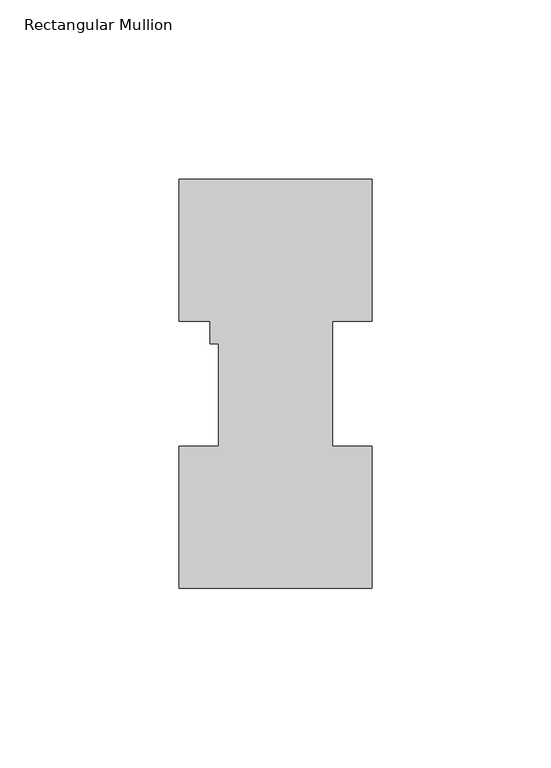
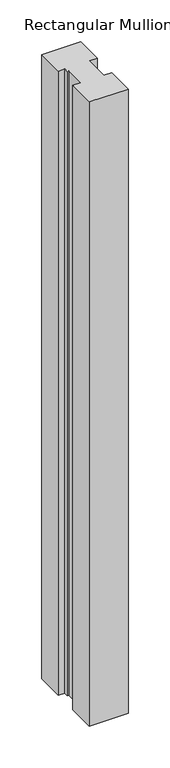
"""IFC4 building model written with IfcOpenShell, lengths in millimetres: member geometry, Rectangular Mullion."""

from ifc_helpers import new_model, si_unit, frame, origin, place, context, project, spatial, polyline, outline, extrude, source, transform, mapped, element, save


def rectangular_mullion_d4341fb1(model_context):
    return source(origin(), model_context, "Body", "SweptSolid", [
        extrude(outline(polyline([(26.9875, 114.271425), (26.9875, 74.596625), (15.875, 74.596625), (15.875, 39.646225), (26.9875, 39.646225), (26.9875, -0.028575), (-26.9875, -0.028575), (-26.9875, 39.646225), (-15.8750003, 39.646225), (-15.8750003, 68.2466249), (-18.2499003, 68.2466249), (-18.2499003, 74.596625), (-26.9875, 74.596625), (-26.9875, 114.271425), (26.9875, 114.271425)])), frame((0.0, 0.0, -914.4), z_axis=(0.0, 0.0, 1.0), x_axis=(1.0, 0.0, 0.0)), (0.0, 0.0, 1.0), 914.4),
    ])


if __name__ == "__main__":
    model = new_model("IFC4")
    model_context = context("Model", 3, world=origin())
    ifc_project = project(units=[si_unit("LENGTHUNIT", "METRE", prefix="MILLI")], contexts=[model_context])
    site = spatial("IfcSite", under=ifc_project)
    building = spatial("IfcBuilding", under=site)
    placement = place(None, origin())
    rectangular_mullion_shape = rectangular_mullion_d4341fb1(model_context)
    element("IfcMember", 1, ObjectType="Rectangular Mullion", at=placement, inside=building, context=model_context, shape_type="MappedRepresentation", body=[
        mapped(rectangular_mullion_shape, transform((0.0, 0.0, 0.0), x_axis=(1.0, 0.0, 0.0), y_axis=(0.0, 1.0, 0.0), z_axis=(0.0, 0.0, 1.0))),
    ])
    save(model, "model.ifc")
